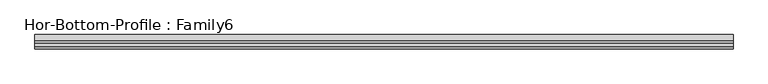
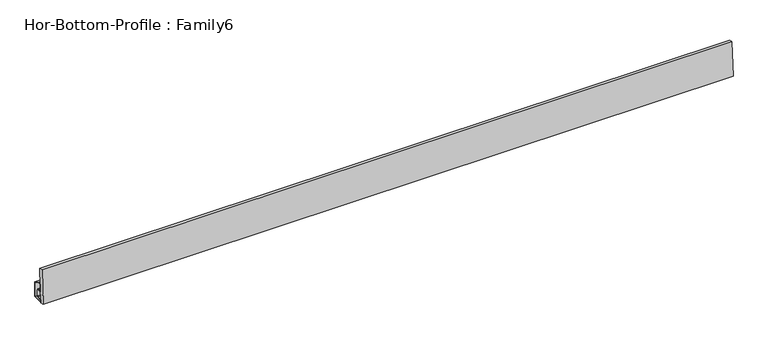
"""IFC4 building model written with IfcOpenShell, lengths in millimetres: proxy geometry, Hor-Bottom-Profile : Family6."""

from ifc_helpers import new_model, si_unit, frame, origin, place, context, project, spatial, polyline, outline, extrude, source, transform, mapped, element, save


def hor_bottom_profile_family6_1a05a6dd(model_context):
    return source(origin(), model_context, "Body", "SweptSolid", [
        extrude(outline(polyline([(0.0, 34.8314209), (0.0, 0.0), (-23.0, 0.0), (-23.0, 6.0), (-11.4142151, 6.0), (-10.0, 7.4142151), (-10.0, 22.5857849), (-11.4142151, 24.0), (-21.5, 24.0), (-21.5, 42.0), (-12.6077271, 42.0), (0.0, 34.8314209)]), holes=[polyline([(-21.5, 1.5), (-1.5, 1.5), (-1.5, 33.9587849), (-13.0043517, 40.5), (-20.0, 40.5), (-20.0, 25.5), (-10.7928947, 25.5), (-8.5, 23.2071053), (-8.5, 6.7928947), (-10.7928947, 4.5), (-21.5, 4.5), (-21.5, 1.5)])]), frame((0.0, 0.0, 0.0), z_axis=(1.0, 0.0, 0.0), x_axis=(0.0, 1.0, 0.0)), (0.0, 0.0, 1.0), 1561.0583697),
        extrude(outline(polyline([(0.0, -8.5), (0.0, 0.0), (1561.0583697, 0.0), (1561.0583697, -8.5), (0.0, -8.5)])), frame((1561.0583697, -32.3388613, 0.4707272), z_axis=(0.0, 0.05537967254143311, 0.9984653683875088), x_axis=(-1.0, 0.0, 0.0)), (0.0, 0.0, 1.0), 80.0),
    ])


if __name__ == "__main__":
    model = new_model("IFC4")
    model_context = context("Model", 3, world=origin())
    ifc_project = project(units=[si_unit("LENGTHUNIT", "METRE", prefix="MILLI")], contexts=[model_context])
    site = spatial("IfcSite", under=ifc_project)
    building = spatial("IfcBuilding", under=site)
    placement = place(None, origin())
    hor_bottom_profile_family6_shape = hor_bottom_profile_family6_1a05a6dd(model_context)
    element("IfcBuildingElementProxy", 1, Name="Hor-Bottom-Profile : Family6", ObjectType="Hor-Bottom-Profile : Family6", at=placement, inside=building, context=model_context, shape_type="MappedRepresentation", body=[
        mapped(hor_bottom_profile_family6_shape, transform((0.0, 0.0, 0.0), x_axis=(1.0, 0.0, 0.0), y_axis=(0.0, 1.0, 0.0), z_axis=(0.0, 0.0, 1.0))),
    ])
    save(model, "model.ifc")
